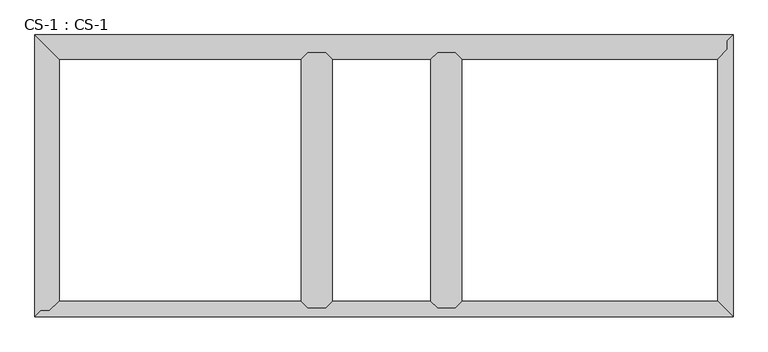
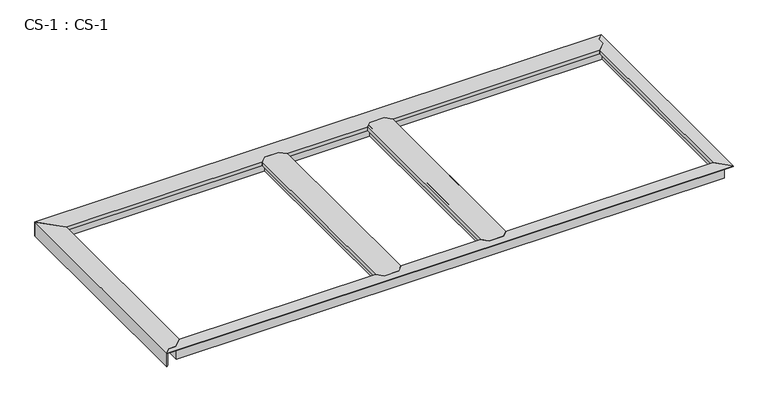
"""IFC4 building model written with IfcOpenShell, lengths in millimetres: proxy geometry, CS-1 : CS-1."""

from ifc_helpers import new_model, si_unit, origin, place, context, project, spatial, faceted_brep, source, transform, mapped, element, save


def cs_1_cs_1_d6b2e955(model_context):
    return source(origin(), model_context, "Body", "Brep", [
        faceted_brep([(1564.64, 982.98, 46.355), (1564.64, 982.98, 0.0), (1557.655, 982.98, 0.0), (1557.655, 982.98, 63.5), (1505.585, 982.98, 63.5), (1505.585, 982.98, 0.0), (1498.6, 982.98, 0.0), (1498.6, 982.98, 46.355), (1498.6, 982.98, 66.675), (1564.64, 982.98, 66.675), (1498.6, 33.02, 46.355), (1498.6, 33.02, 0.0), (1505.585, 33.02, 0.0), (1505.585, 33.02, 63.5), (1557.655, 33.02, 63.5), (1557.655, 33.02, 0.0), (1564.64, 33.02, 0.0), (1564.64, 33.02, 46.355), (1564.64, 33.02, 66.675), (1498.6, 33.02, 66.675), (1473.962, 57.658, 66.675), (1473.962, 958.342, 66.675), (1473.962, 958.342, 49.8094), (1473.962, 57.658, 49.8094), (1475.486, 959.866, 49.8094), (1475.486, 56.134, 49.8094), (1475.486, 959.866, 64.643), (1475.486, 56.134, 64.643), (1485.773, 970.153, 64.643), (1485.773, 45.847, 64.643), (1485.773, 970.153, 46.355), (1485.773, 45.847, 46.355), (1577.467, 970.153, 46.355), (1577.467, 45.847, 46.355), (1577.467, 970.153, 64.643), (1577.467, 45.847, 64.643), (1587.754, 959.866, 64.643), (1587.754, 56.134, 64.643), (1587.754, 959.866, 49.8094), (1587.754, 56.134, 49.8094), (1589.278, 958.342, 49.8094), (1589.278, 57.658, 49.8094), (1589.278, 958.342, 66.675), (1589.278, 57.658, 66.675)], [[[0, 1, 2, 3, 4, 5, 6, 7, 8, 9]], [[10, 11, 12, 13, 14, 15, 16, 17, 18, 19]], [[20, 21, 22, 23]], [[23, 22, 24, 25]], [[25, 24, 26, 27]], [[27, 26, 28, 29]], [[29, 28, 30, 31]], [[7, 10, 31, 30]], [[7, 6, 11, 10]], [[6, 5, 12, 11]], [[5, 4, 13, 12]], [[4, 3, 14, 13]], [[3, 2, 15, 14]], [[2, 1, 16, 15]], [[1, 0, 17, 16]], [[17, 0, 32, 33]], [[33, 32, 34, 35]], [[35, 34, 36, 37]], [[37, 36, 38, 39]], [[39, 38, 40, 41]], [[41, 40, 42, 43]], [[9, 8, 21, 20, 19, 18, 43, 42]], [[10, 19, 20, 23, 25, 27, 29, 31]], [[18, 17, 33, 35, 37, 39, 41, 43]], [[0, 9, 42, 40, 38, 36, 34, 32]], [[8, 7, 30, 28, 26, 24, 22, 21]]]),
        faceted_brep([(1082.04, 982.98, 46.355), (1082.04, 982.98, 0.0), (1075.055, 982.98, 0.0), (1075.055, 982.98, 63.5), (1022.985, 982.98, 63.5), (1022.985, 982.98, 0.0), (1016.0, 982.98, 0.0), (1016.0, 982.98, 46.355), (1016.0, 982.98, 66.675), (1082.04, 982.98, 66.675), (1016.0, 33.02, 46.355), (1016.0, 33.02, 0.0), (1022.985, 33.02, 0.0), (1022.985, 33.02, 63.5), (1075.055, 33.02, 63.5), (1075.055, 33.02, 0.0), (1082.04, 33.02, 0.0), (1082.04, 33.02, 46.355), (1082.04, 33.02, 66.675), (1016.0, 33.02, 66.675), (991.362, 57.658, 66.675), (991.362, 958.342, 66.675), (991.362, 958.342, 49.8094), (991.362, 57.658, 49.8094), (992.886, 959.866, 49.8094), (992.886, 56.134, 49.8094), (992.886, 959.866, 64.643), (992.886, 56.134, 64.643), (1003.173, 970.153, 64.643), (1003.173, 45.847, 64.643), (1003.173, 970.153, 46.355), (1003.173, 45.847, 46.355), (1094.867, 970.153, 46.355), (1094.867, 45.847, 46.355), (1094.867, 970.153, 64.643), (1094.867, 45.847, 64.643), (1105.154, 959.866, 64.643), (1105.154, 56.134, 64.643), (1105.154, 959.866, 49.8094), (1105.154, 56.134, 49.8094), (1106.678, 958.342, 49.8094), (1106.678, 57.658, 49.8094), (1106.678, 958.342, 66.675), (1106.678, 57.658, 66.675)], [[[0, 1, 2, 3, 4, 5, 6, 7, 8, 9]], [[10, 11, 12, 13, 14, 15, 16, 17, 18, 19]], [[20, 21, 22, 23]], [[23, 22, 24, 25]], [[25, 24, 26, 27]], [[27, 26, 28, 29]], [[29, 28, 30, 31]], [[7, 10, 31, 30]], [[7, 6, 11, 10]], [[6, 5, 12, 11]], [[5, 4, 13, 12]], [[4, 3, 14, 13]], [[3, 2, 15, 14]], [[2, 1, 16, 15]], [[1, 0, 17, 16]], [[17, 0, 32, 33]], [[33, 32, 34, 35]], [[35, 34, 36, 37]], [[37, 36, 38, 39]], [[39, 38, 40, 41]], [[41, 40, 42, 43]], [[9, 8, 21, 20, 19, 18, 43, 42]], [[10, 19, 20, 23, 25, 27, 29, 31]], [[18, 17, 33, 35, 37, 39, 41, 43]], [[0, 9, 42, 40, 38, 36, 34, 32]], [[8, 7, 30, 28, 26, 24, 22, 21]]]),
        faceted_brep([(0.0, 0.0, 66.675), (2598.42, 0.0, 66.675), (2540.762, 57.658, 66.675), (1589.278, 57.658, 66.675), (1564.64, 33.02, 66.675), (1498.6, 33.02, 66.675), (1473.962, 57.658, 66.675), (1106.678, 57.658, 66.675), (1082.04, 33.02, 66.675), (1016.0, 33.02, 66.675), (991.362, 57.658, 66.675), (90.678, 57.658, 66.675), (53.34, 21.59, 66.675), (21.59, 21.59, 66.675), (0.0, 0.0, 63.5), (2598.42, 0.0, 63.5), (21.59, 21.59, 63.5), (53.34, 21.59, 63.5), (57.9415141, 26.035, 63.5), (2572.385, 26.035, 63.5), (2572.385, 26.035, 0.0), (57.9415141, 26.035, 0.0), (65.1724648, 33.02, 0.0), (2565.4, 33.02, 0.0), (2565.4, 33.02, 46.355), (65.1724648, 33.02, 46.355), (1016.0, 33.02, 46.355), (1082.04, 33.02, 46.355), (1498.6, 33.02, 46.355), (1564.64, 33.02, 46.355), (2552.573, 45.847, 46.355), (1577.467, 45.847, 46.355), (78.4511197, 45.847, 46.355), (1003.173, 45.847, 46.355), (1485.773, 45.847, 46.355), (1094.867, 45.847, 46.355), (2552.573, 45.847, 64.643), (1577.467, 45.847, 64.643), (78.4511197, 45.847, 64.643), (1003.173, 45.847, 64.643), (1485.773, 45.847, 64.643), (1094.867, 45.847, 64.643), (2542.286, 56.134, 64.643), (1587.754, 56.134, 64.643), (89.100338, 56.134, 64.643), (992.886, 56.134, 64.643), (1475.486, 56.134, 64.643), (1105.154, 56.134, 64.643), (2542.286, 56.134, 49.8094), (1587.754, 56.134, 49.8094), (89.100338, 56.134, 49.8094), (992.886, 56.134, 49.8094), (1475.486, 56.134, 49.8094), (1105.154, 56.134, 49.8094), (2540.762, 57.658, 49.8094), (1589.278, 57.658, 49.8094), (90.678, 57.658, 49.8094), (991.362, 57.658, 49.8094), (1473.962, 57.658, 49.8094), (1106.678, 57.658, 49.8094)], [[[0, 1, 2, 3, 4, 5, 6, 7, 8, 9, 10, 11, 12, 13]], [[1, 0, 14, 15]], [[15, 14, 16, 17, 18, 19]], [[20, 19, 18, 21]], [[22, 23, 20, 21]], [[24, 23, 22, 25, 26, 9, 8, 27, 28, 5, 4, 29]], [[30, 24, 29, 31]], [[25, 32, 33, 26]], [[34, 28, 27, 35]], [[36, 30, 31, 37]], [[32, 38, 39, 33]], [[40, 34, 35, 41]], [[42, 36, 37, 43]], [[38, 44, 45, 39]], [[46, 40, 41, 47]], [[48, 42, 43, 49]], [[44, 50, 51, 45]], [[52, 46, 47, 53]], [[54, 48, 49, 55]], [[50, 56, 57, 51]], [[58, 52, 53, 59]], [[2, 54, 55, 3]], [[56, 11, 10, 57]], [[6, 58, 59, 7]], [[2, 1, 15, 19, 20, 23, 24, 30, 36, 42, 48, 54]], [[16, 13, 12, 17]], [[17, 12, 11, 56, 50, 44, 38, 32, 25, 22, 21, 18]], [[13, 16, 14, 0]], [[5, 28, 34, 40, 46, 52, 58, 6]], [[29, 4, 3, 55, 49, 43, 37, 31]], [[9, 26, 33, 39, 45, 51, 57, 10]], [[27, 8, 7, 59, 53, 47, 41, 35]]]),
        faceted_brep([(2598.42, 0.0, 66.675), (2598.42, 1049.02, 66.675), (2576.83, 1027.43, 66.675), (2576.83, 995.68, 66.675), (2540.762, 958.342, 66.675), (2540.762, 57.658, 66.675), (2598.42, 0.0, 63.5), (2598.42, 1049.02, 63.5), (2572.385, 26.035, 63.5), (2572.385, 991.0784859, 63.5), (2576.83, 995.68, 63.5), (2576.83, 1027.43, 63.5), (2572.385, 991.0784859, 0.0), (2572.385, 26.035, 0.0), (2565.4, 983.8475352, 0.0), (2565.4, 33.02, 0.0), (2565.4, 983.8475352, 46.355), (2565.4, 33.02, 46.355), (2552.573, 970.5688803, 46.355), (2552.573, 45.847, 46.355), (2552.573, 970.5688803, 64.643), (2552.573, 45.847, 64.643), (2542.286, 959.919662, 64.643), (2542.286, 56.134, 64.643), (2542.286, 959.919662, 49.8094), (2542.286, 56.134, 49.8094), (2540.762, 958.342, 49.8094), (2540.762, 57.658, 49.8094)], [[[0, 1, 2, 3, 4, 5]], [[1, 0, 6, 7]], [[7, 6, 8, 9, 10, 11]], [[12, 9, 8, 13]], [[14, 12, 13, 15]], [[16, 14, 15, 17]], [[18, 16, 17, 19]], [[20, 18, 19, 21]], [[22, 20, 21, 23]], [[24, 22, 23, 25]], [[26, 24, 25, 27]], [[4, 26, 27, 5]], [[11, 2, 1, 7]], [[3, 10, 9, 12, 14, 16, 18, 20, 22, 24, 26, 4]], [[2, 11, 10, 3]], [[0, 5, 27, 25, 23, 21, 19, 17, 15, 13, 8, 6]]]),
        faceted_brep([(0.0, 1049.02, 0.0), (2598.42, 1049.02, 0.0), (2591.435, 1042.035, 0.0), (6.985, 1042.035, 0.0), (6.985, 1042.035, 63.5), (2591.435, 1042.035, 63.5), (59.055, 989.965, 63.5), (2576.83, 1027.43, 63.5), (2576.83, 995.68, 63.5), (2571.3093878, 989.965, 63.5), (59.055, 989.965, 0.0), (2571.3093878, 989.965, 0.0), (2564.5619728, 982.98, 0.0), (66.04, 982.98, 0.0), (66.04, 982.98, 46.355), (2564.5619728, 982.98, 46.355), (1564.64, 982.98, 46.355), (1564.64, 982.98, 66.675), (1498.6, 982.98, 66.675), (1498.6, 982.98, 46.355), (1082.04, 982.98, 46.355), (1082.04, 982.98, 66.675), (1016.0, 982.98, 66.675), (1016.0, 982.98, 46.355), (78.867, 970.153, 46.355), (1003.173, 970.153, 46.355), (2552.1712653, 970.153, 46.355), (1577.467, 970.153, 46.355), (1094.867, 970.153, 46.355), (1485.773, 970.153, 46.355), (78.867, 970.153, 63.5), (1003.173, 970.153, 63.5), (2552.1712653, 970.153, 63.5), (1577.467, 970.153, 63.5), (1094.867, 970.153, 63.5), (1485.773, 970.153, 63.5), (89.154, 959.866, 63.5), (992.886, 959.866, 63.5), (2542.2341633, 959.866, 63.5), (1587.754, 959.866, 63.5), (1105.154, 959.866, 63.5), (1475.486, 959.866, 63.5), (89.154, 959.866, 49.8094), (992.886, 959.866, 49.8094), (2542.2341633, 959.866, 49.8094), (1587.754, 959.866, 49.8094), (1105.154, 959.866, 49.8094), (1475.486, 959.866, 49.8094), (90.678, 958.342, 49.8094), (991.362, 958.342, 49.8094), (2540.762, 958.342, 49.8094), (1589.278, 958.342, 49.8094), (1106.678, 958.342, 49.8094), (1473.962, 958.342, 49.8094), (90.678, 958.342, 66.675), (991.362, 958.342, 66.675), (2540.762, 958.342, 66.675), (1589.278, 958.342, 66.675), (1106.678, 958.342, 66.675), (1473.962, 958.342, 66.675), (2598.42, 1049.02, 66.675), (0.0, 1049.02, 66.675), (2576.83, 995.68, 66.675), (2576.83, 1027.43, 66.675)], [[[0, 1, 2, 3]], [[4, 3, 2, 5]], [[6, 4, 5, 7, 8, 9]], [[10, 6, 9, 11]], [[12, 13, 10, 11]], [[14, 13, 12, 15, 16, 17, 18, 19, 20, 21, 22, 23]], [[24, 14, 23, 25]], [[15, 26, 27, 16]], [[28, 20, 19, 29]], [[30, 24, 25, 31]], [[26, 32, 33, 27]], [[34, 28, 29, 35]], [[36, 30, 31, 37]], [[32, 38, 39, 33]], [[40, 34, 35, 41]], [[42, 36, 37, 43]], [[38, 44, 45, 39]], [[46, 40, 41, 47]], [[48, 42, 43, 49]], [[44, 50, 51, 45]], [[52, 46, 47, 53]], [[54, 48, 49, 55]], [[50, 56, 57, 51]], [[58, 52, 53, 59]], [[60, 61, 54, 55, 22, 21, 58, 59, 18, 17, 57, 56, 62, 63]], [[1, 0, 61, 60]], [[0, 3, 4, 6, 10, 13, 14, 24, 30, 36, 42, 48, 54, 61]], [[7, 63, 62, 8]], [[8, 62, 56, 50, 44, 38, 32, 26, 15, 12, 11, 9]], [[63, 7, 5, 2, 1, 60]], [[21, 20, 28, 34, 40, 46, 52, 58]], [[23, 22, 55, 49, 43, 37, 31, 25]], [[17, 16, 27, 33, 39, 45, 51, 57]], [[19, 18, 59, 53, 47, 41, 35, 29]]]),
        faceted_brep([(0.0, 0.0, 0.0), (0.0, 1049.02, 0.0), (6.985, 1042.035, 0.0), (6.985, 6.985, 0.0), (6.985, 6.985, 63.5), (6.985, 1042.035, 63.5), (21.59, 21.59, 63.5), (59.055, 989.965, 63.5), (59.055, 27.1106122, 63.5), (53.34, 21.59, 63.5), (59.055, 27.1106122, 0.0), (59.055, 989.965, 0.0), (66.04, 33.8580272, 0.0), (66.04, 982.98, 0.0), (66.04, 33.8580272, 46.355), (66.04, 982.98, 46.355), (78.867, 46.2487347, 46.355), (78.867, 970.153, 46.355), (78.867, 46.2487347, 63.5), (78.867, 970.153, 63.5), (89.154, 56.1858367, 63.5), (89.154, 959.866, 63.5), (89.154, 56.1858367, 49.8094), (89.154, 959.866, 49.8094), (90.678, 57.658, 49.8094), (90.678, 958.342, 49.8094), (90.678, 57.658, 66.675), (90.678, 958.342, 66.675), (0.0, 1049.02, 66.675), (0.0, 0.0, 66.675), (21.59, 21.59, 66.675), (53.34, 21.59, 66.675)], [[[0, 1, 2, 3]], [[4, 3, 2, 5]], [[6, 4, 5, 7, 8, 9]], [[10, 8, 7, 11]], [[12, 10, 11, 13]], [[14, 12, 13, 15]], [[16, 14, 15, 17]], [[18, 16, 17, 19]], [[20, 18, 19, 21]], [[22, 20, 21, 23]], [[24, 22, 23, 25]], [[26, 24, 25, 27]], [[28, 29, 30, 31, 26, 27]], [[1, 0, 29, 28]], [[6, 30, 29, 0, 3, 4]], [[31, 9, 8, 10, 12, 14, 16, 18, 20, 22, 24, 26]], [[30, 6, 9, 31]], [[2, 1, 28, 27, 25, 23, 21, 19, 17, 15, 13, 11, 7, 5]]]),
    ])


if __name__ == "__main__":
    model = new_model("IFC4")
    model_context = context("Model", 3, world=origin())
    ifc_project = project(units=[si_unit("LENGTHUNIT", "METRE", prefix="MILLI")], contexts=[model_context])
    site = spatial("IfcSite", under=ifc_project)
    building = spatial("IfcBuilding", under=site)
    placement = place(None, origin())
    cs_1_cs_1_shape = cs_1_cs_1_d6b2e955(model_context)
    element("IfcBuildingElementProxy", 1, Name="CS-1 : CS-1", ObjectType="CS-1 : CS-1", at=placement, inside=building, context=model_context, shape_type="MappedRepresentation", body=[
        mapped(cs_1_cs_1_shape, transform((0.0, 0.0, 0.0), x_axis=(1.0, 0.0, 0.0), y_axis=(0.0, 1.0, 0.0), z_axis=(0.0, 0.0, 1.0))),
    ])
    save(model, "model.ifc")
